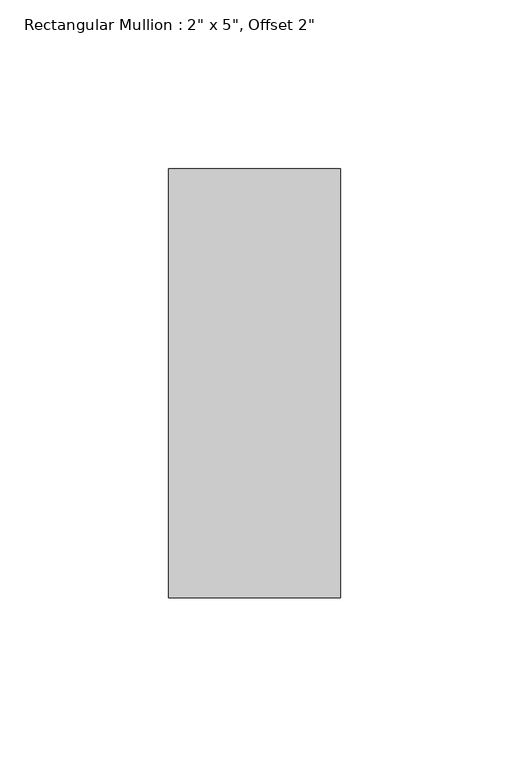
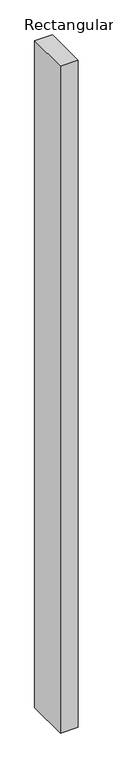
"""IFC4 building model written with IfcOpenShell, lengths in millimetres: member geometry."""

from ifc_helpers import new_model, si_unit, frame, origin, place, context, project, spatial, polyline, outline, extrude, source, transform, mapped, element, save


def member_5e9f9143(model_context):
    return source(origin(), model_context, "Body", "SweptSolid", [
        extrude(outline(polyline([(0.0, 114.3), (0.0, -12.7), (-50.8, -12.7), (-50.8, 114.3), (0.0, 114.3)])), frame((0.0, 0.0, -2008.2247303), z_axis=(0.0, 0.0, 1.0), x_axis=(1.0, 0.0, 0.0)), (0.0, 0.0, 1.0), 2008.2247303),
    ])


if __name__ == "__main__":
    model = new_model("IFC4")
    model_context = context("Model", 3, world=origin())
    ifc_project = project(units=[si_unit("LENGTHUNIT", "METRE", prefix="MILLI")], contexts=[model_context])
    site = spatial("IfcSite", under=ifc_project)
    building = spatial("IfcBuilding", under=site)
    placement = place(None, origin())
    member_shape = member_5e9f9143(model_context)
    element("IfcMember", 1, ObjectType="Rectangular Mullion : 2\" x 5\", Offset 2\"", at=placement, inside=building, context=model_context, shape_type="MappedRepresentation", body=[
        mapped(member_shape, transform((0.0, 0.0, 0.0), x_axis=(1.0, 0.0, 0.0), y_axis=(0.0, 1.0, 0.0), z_axis=(0.0, 0.0, 1.0))),
    ])
    save(model, "model.ifc")
